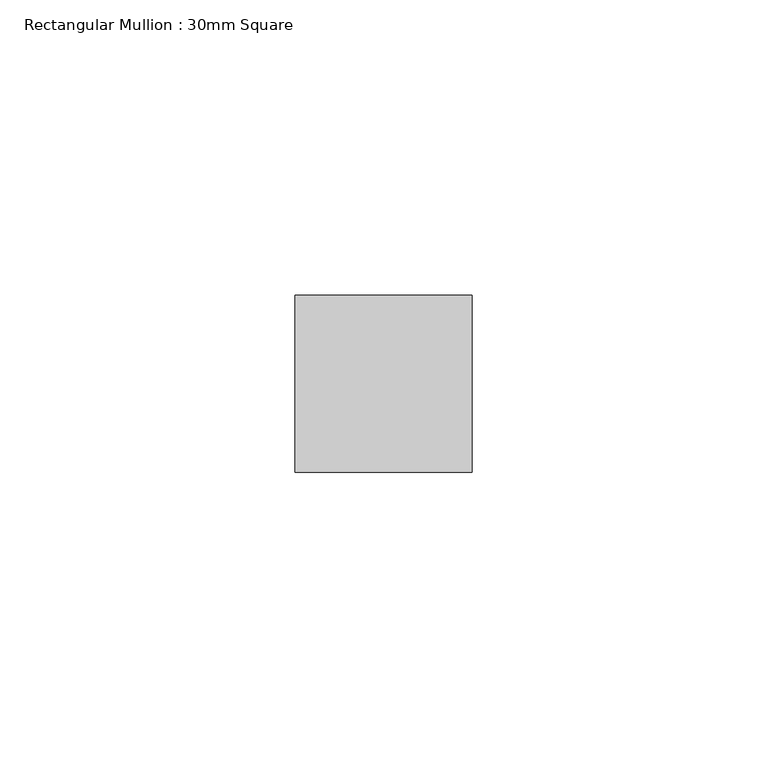
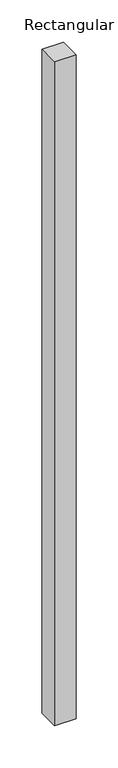
"""IFC4 building model written with IfcOpenShell, lengths in millimetres: member geometry, Rectangular Mullion : 30mm Square."""

from ifc_helpers import new_model, si_unit, frame, origin, place, context, project, spatial, polyline, outline, extrude, source, transform, mapped, element, save


def rectangular_mullion_30mm_square_311f98b7(model_context):
    return source(origin(), model_context, "Body", "SweptSolid", [
        extrude(outline(polyline([(15.0, 15.0), (15.0, -15.0), (-15.0, -15.0), (-15.0, 15.0), (15.0, 15.0)])), frame((0.0, 0.0, -964.8371184), z_axis=(0.0, 0.0, 1.0), x_axis=(1.0, 0.0, 0.0)), (0.0, 0.0, 1.0), 964.8371184),
    ])


if __name__ == "__main__":
    model = new_model("IFC4")
    model_context = context("Model", 3, world=origin())
    ifc_project = project(units=[si_unit("LENGTHUNIT", "METRE", prefix="MILLI")], contexts=[model_context])
    site = spatial("IfcSite", under=ifc_project)
    building = spatial("IfcBuilding", under=site)
    placement = place(None, origin())
    rectangular_mullion_30mm_square_shape = rectangular_mullion_30mm_square_311f98b7(model_context)
    element("IfcMember", 1, ObjectType="Rectangular Mullion : 30mm Square", at=placement, inside=building, context=model_context, shape_type="MappedRepresentation", body=[
        mapped(rectangular_mullion_30mm_square_shape, transform((0.0, 0.0, 0.0), x_axis=(1.0, 0.0, 0.0), y_axis=(0.0, 1.0, 0.0), z_axis=(0.0, 0.0, 1.0))),
    ])
    save(model, "model.ifc")
